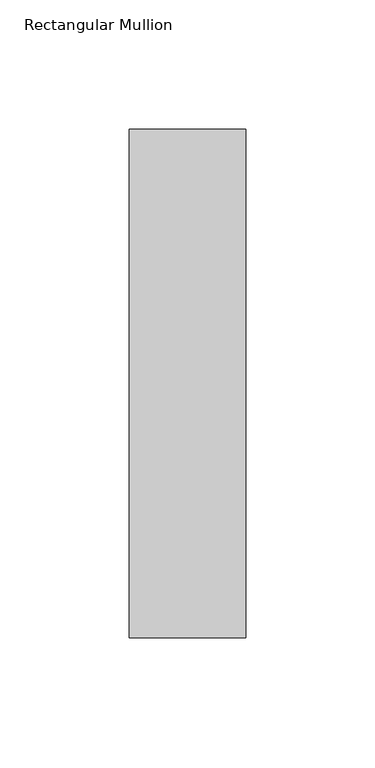
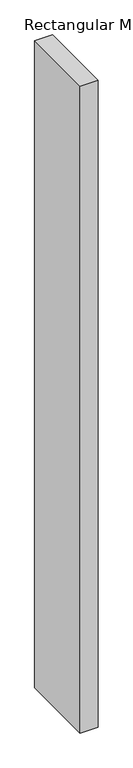
"""IFC4 building model written with IfcOpenShell, lengths in millimetres: member geometry, Rectangular Mullion."""

from ifc_helpers import new_model, si_unit, frame, origin, place, context, project, spatial, polyline, outline, extrude, source, transform, mapped, element, save


def rectangular_mullion_db69f0b9(model_context):
    return source(origin(), model_context, "Body", "SweptSolid", [
        extrude(outline(polyline([(22.5, 153.875), (22.5, -42.875), (-22.5, -42.875), (-22.5, 153.875), (22.5, 153.875)])), frame((0.0, 0.0, -1708.8912252), z_axis=(0.0, 0.0, 1.0), x_axis=(1.0, 0.0, 0.0)), (0.0, 0.0, 1.0), 1708.8912252),
    ])


if __name__ == "__main__":
    model = new_model("IFC4")
    model_context = context("Model", 3, world=origin())
    ifc_project = project(units=[si_unit("LENGTHUNIT", "METRE", prefix="MILLI")], contexts=[model_context])
    site = spatial("IfcSite", under=ifc_project)
    building = spatial("IfcBuilding", under=site)
    placement = place(None, origin())
    rectangular_mullion_shape = rectangular_mullion_db69f0b9(model_context)
    element("IfcMember", 1, ObjectType="Rectangular Mullion", at=placement, inside=building, context=model_context, shape_type="MappedRepresentation", body=[
        mapped(rectangular_mullion_shape, transform((0.0, 0.0, 0.0), x_axis=(1.0, 0.0, 0.0), y_axis=(0.0, 1.0, 0.0), z_axis=(0.0, 0.0, 1.0))),
    ])
    save(model, "model.ifc")
